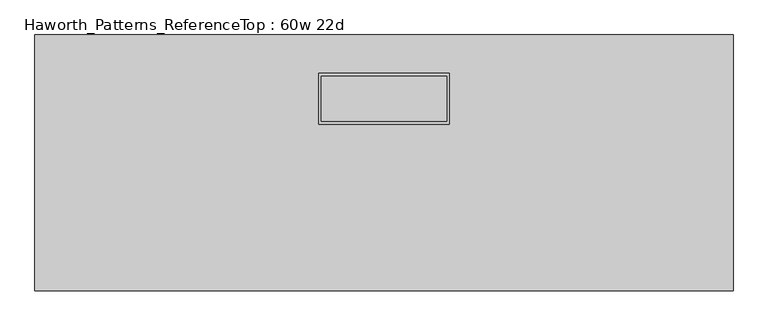
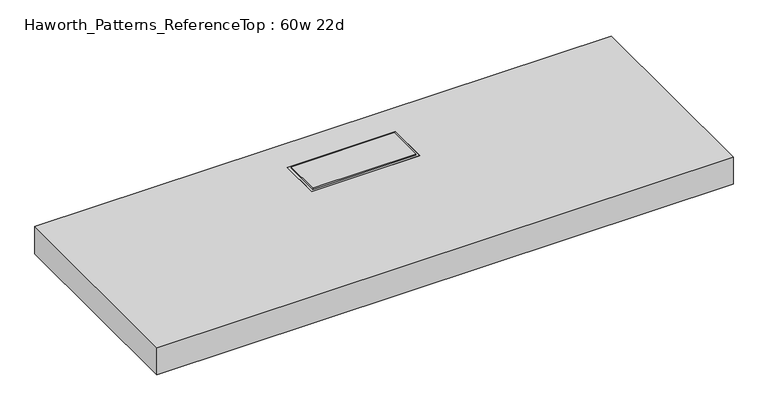
"""IFC4 building model written with IfcOpenShell, lengths in millimetres: furniture geometry, Haworth_Patterns_ReferenceTop : 60w 22d."""

from ifc_helpers import new_model, si_unit, origin, place, context, project, spatial, faceted_brep, source, transform, mapped, element, save


def haworth_patterns_referencetop_60w_22d_59fb972c(model_context):
    return source(origin(), model_context, "Body", "Brep", [
        faceted_brep([(136.525, 188.9125, 1209.675), (-136.525, 188.9125, 1209.675), (-136.525, 90.4875, 1209.675), (136.525, 90.4875, 1209.675), (136.525, 188.9125, 1206.5), (-136.525, 188.9125, 1206.5), (-136.525, 90.4875, 1206.5), (136.525, 90.4875, 1206.5), (142.875, 195.2625, 1136.65), (142.875, 84.1375, 1136.65), (-142.875, 84.1375, 1136.65), (-142.875, 195.2625, 1136.65), (142.875, 195.2625, 1206.5), (-142.875, 195.2625, 1206.5), (-142.875, 84.1375, 1206.5), (142.875, 84.1375, 1206.5)], [[[0, 1, 2, 3]], [[1, 0, 4, 5]], [[2, 1, 5, 6]], [[3, 2, 6, 7]], [[0, 3, 7, 4]], [[8, 9, 10, 11]], [[12, 13, 14, 15], [5, 4, 7, 6]], [[8, 11, 13, 12]], [[11, 10, 14, 13]], [[10, 9, 15, 14]], [[9, 8, 12, 15]]]),
        faceted_brep([(762.0, 279.4, 1206.5), (-762.0, 279.4, 1206.5), (-762.0, -279.4, 1206.5), (762.0, -279.4, 1206.5), (-142.875, 195.2625, 1206.5), (142.875, 195.2625, 1206.5), (142.875, 84.1375, 1206.5), (-142.875, 84.1375, 1206.5), (762.0, 279.4, 1130.3), (762.0, -279.4, 1130.3), (-762.0, -279.4, 1130.3), (-762.0, 279.4, 1130.3), (-142.875, 195.2625, 1136.65), (142.875, 195.2625, 1136.65), (-142.875, 84.1375, 1136.65), (142.875, 84.1375, 1136.65)], [[[0, 1, 2, 3], [4, 5, 6, 7]], [[8, 9, 10, 11]], [[1, 0, 8, 11]], [[2, 1, 11, 10]], [[3, 2, 10, 9]], [[0, 3, 9, 8]], [[12, 13, 5, 4]], [[14, 12, 4, 7]], [[15, 14, 7, 6]], [[13, 15, 6, 5]], [[13, 12, 14, 15]]]),
    ])


if __name__ == "__main__":
    model = new_model("IFC4")
    model_context = context("Model", 3, world=origin())
    ifc_project = project(units=[si_unit("LENGTHUNIT", "METRE", prefix="MILLI")], contexts=[model_context])
    site = spatial("IfcSite", under=ifc_project)
    building = spatial("IfcBuilding", under=site)
    placement = place(None, origin())
    haworth_patterns_referencetop_60w_22d_shape = haworth_patterns_referencetop_60w_22d_59fb972c(model_context)
    element("IfcFurniture", 1, ObjectType="Haworth_Patterns_ReferenceTop : 60w 22d", at=placement, inside=building, context=model_context, shape_type="MappedRepresentation", body=[
        mapped(haworth_patterns_referencetop_60w_22d_shape, transform((0.0, 0.0, 0.0), x_axis=(1.0, 0.0, 0.0), y_axis=(0.0, 1.0, 0.0), z_axis=(0.0, 0.0, 1.0))),
    ])
    save(model, "model.ifc")
